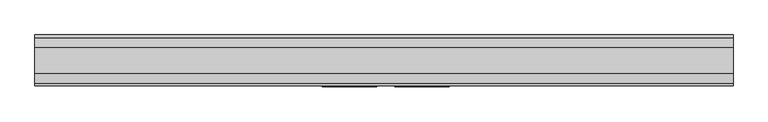
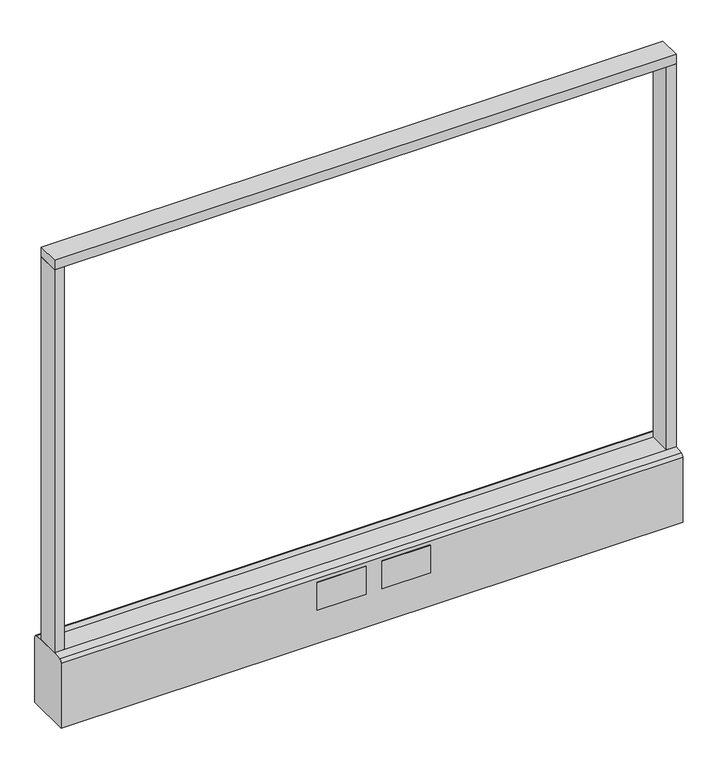
"""IFC4 building model written with IfcOpenShell, lengths in millimetres: furniture geometry."""

import ifcopenshell
import ifcopenshell.guid

model = None  # the IFC model being written
_history = None  # IfcOwnerHistory: only IFC2X3 demands one
_inside = {}  # id of a spatial element -> (the spatial element, [elements in it])
_under = {}  # id of a project, library or spatial element -> (it, [spatial elements below it])
_declared = {}  # id of a project -> (the project, [libraries it declares])
_typed = {}  # id of a type object -> (the type object, [elements of that type])
_made_of = {}  # id of a material, layer set ... -> (it, [elements and type objects made of it])


def new_model(schema):
    """Start an empty IFC model of exactly this schema.

    Asked for "IFC4X3", IfcOpenShell would pick the latest addendum, in which some entities
    have other attributes; the version numbers below select the first issue.
    IFC2X3 requires an IfcOwnerHistory on every rooted entity: one is made here for all.
    """
    global model, _history
    if schema == "IFC4X3":
        model = ifcopenshell.file(schema_version=(4, 3, 0, 0))
    else:
        model = ifcopenshell.file(schema=schema)
    _inside.clear()
    _under.clear()
    _declared.clear()
    _typed.clear()
    _made_of.clear()
    _history = None
    if model.schema == "IFC2X3":
        org = make("IfcOrganization", Name="unknown")
        user = make(
            "IfcPersonAndOrganization",
            ThePerson=make("IfcPerson", FamilyName="unknown"),
            TheOrganization=org,
        )
        app = make(
            "IfcApplication",
            ApplicationDeveloper=org,
            Version="unknown",
            ApplicationFullName="unknown",
            ApplicationIdentifier="unknown",
        )
        _history = make(
            "IfcOwnerHistory",
            OwningUser=user,
            OwningApplication=app,
            ChangeAction="ADDED",
            CreationDate=0,
        )
    return model


def make(cls, **values):
    """One entity of the class cls with the attributes given. An attribute that is None is left unset."""
    return model.create_entity(
        cls, **{name: value for name, value in values.items() if value is not None}
    )


def rooted(cls, **values):
    """An entity with a GlobalId (a new one), such as an element, a storey or a relation."""
    return make(cls, GlobalId=ifcopenshell.guid.new(), OwnerHistory=_history, **values)


def si_unit(unit_type, name, prefix=None):
    """IfcSIUnit, for example si_unit("LENGTHUNIT", "METRE", prefix="MILLI")."""
    return make("IfcSIUnit", UnitType=unit_type, Prefix=prefix, Name=name)


def assignment(units):
    """IfcUnitAssignment: the units of a project."""
    return None if units is None else make("IfcUnitAssignment", Units=units)


def point(xyz):
    """IfcCartesianPoint."""
    return None if xyz is None else make("IfcCartesianPoint", Coordinates=xyz)


def direction(xyz):
    """IfcDirection."""
    return None if xyz is None else make("IfcDirection", DirectionRatios=xyz)


def frame(location, z_axis=None, x_axis=None):
    """IfcAxis2Placement3D, a coordinate frame: its origin and axes. An axis left out is left unset."""
    return make(
        "IfcAxis2Placement3D",
        Location=point(location),
        Axis=direction(z_axis),
        RefDirection=direction(x_axis),
    )


def frame_2d(location, x_axis=None):
    """IfcAxis2Placement2D, a coordinate frame in the plane: its origin and x axis."""
    return make(
        "IfcAxis2Placement2D", Location=point(location), RefDirection=direction(x_axis)
    )


def origin():
    """The frame at (0, 0, 0) with its axes left unset."""
    return frame((0.0, 0.0, 0.0))


def origin_with_axes():
    """The frame at (0, 0, 0) with the z axis (0, 0, 1) and the x axis (1, 0, 0) written out."""
    return frame((0.0, 0.0, 0.0), z_axis=(0.0, 0.0, 1.0), x_axis=(1.0, 0.0, 0.0))


def place(relative_to, where):
    """IfcLocalPlacement: puts the frame where relative to a parent placement (None: the world)."""
    return make(
        "IfcLocalPlacement", PlacementRelTo=relative_to, RelativePlacement=where
    )


def context(
    kind, dimensions, precision=None, world=None, true_north=None, identifier=None
):
    """IfcGeometricRepresentationContext, for example the 3D "Model" context."""
    return make(
        "IfcGeometricRepresentationContext",
        ContextIdentifier=identifier,
        ContextType=kind,
        CoordinateSpaceDimension=dimensions,
        Precision=precision,
        WorldCoordinateSystem=world,
        TrueNorth=true_north,
    )


def project(units=None, contexts=None):
    """IfcProject with its units and contexts."""
    return rooted(
        "IfcProject",
        Name="project",
        RepresentationContexts=contexts,
        UnitsInContext=assignment(units),
    )


def spatial(cls, under=None, at=None, **own):
    """A site, building, storey or space (cls), placed at a placement, below another one or the project."""
    s = rooted(cls, ObjectPlacement=at, **own)
    if under is not None:
        _under.setdefault(under.id(), (under, []))[1].append(s)
    return s


def polyline(points):
    """IfcPolyline through the points."""
    return make("IfcPolyline", Points=[point(p) for p in points])


def circle_curve(where, radius):
    """IfcCircle in the frame where."""
    return make("IfcCircle", Position=where, Radius=radius)


def trimmed(basis, trim1, trim2, sense, master):
    """IfcTrimmedCurve: the piece of a basis curve between two trims."""
    return make(
        "IfcTrimmedCurve",
        BasisCurve=basis,
        Trim1=trim1,
        Trim2=trim2,
        SenseAgreement=sense,
        MasterRepresentation=master,
    )


def segment(curve, same_sense, transition):
    """IfcCompositeCurveSegment."""
    return make(
        "IfcCompositeCurveSegment",
        Transition=transition,
        SameSense=same_sense,
        ParentCurve=curve,
    )


def composite_curve(segments, self_intersect=None):
    """IfcCompositeCurve: segments joined end to end."""
    return make("IfcCompositeCurve", Segments=segments, SelfIntersect=self_intersect)


def outline(outer, holes=None, kind="AREA"):
    """IfcArbitraryClosedProfileDef: a profile drawn as a closed curve; with holes, ...WithVoids."""
    if holes is None:
        return make("IfcArbitraryClosedProfileDef", ProfileType=kind, OuterCurve=outer)
    return make(
        "IfcArbitraryProfileDefWithVoids",
        ProfileType=kind,
        OuterCurve=outer,
        InnerCurves=holes,
    )


def extrude(swept, where, along, depth):
    """IfcExtrudedAreaSolid: the profile swept, set in the frame where, extruded along a direction by depth."""
    return make(
        "IfcExtrudedAreaSolid",
        SweptArea=swept,
        Position=where,
        ExtrudedDirection=direction(along),
        Depth=depth,
    )


def shape(context_of_items, identifier, shape_type, items):
    """IfcShapeRepresentation: the items that make up one representation, for example the "Body"."""
    return make(
        "IfcShapeRepresentation",
        ContextOfItems=context_of_items,
        RepresentationIdentifier=identifier,
        RepresentationType=shape_type,
        Items=items,
    )


def source(mapping_origin, context_of_items, identifier, shape_type, items):
    """IfcRepresentationMap: a shape defined once, which mapped items show again and again."""
    return make(
        "IfcRepresentationMap",
        MappingOrigin=mapping_origin,
        MappedRepresentation=shape(context_of_items, identifier, shape_type, items),
    )


def transform(
    local_origin,
    x_axis=None,
    y_axis=None,
    z_axis=None,
    scale=None,
    scale2=None,
    scale3=None,
    uniform=True,
):
    """IfcCartesianTransformationOperator3D, or its non-uniform kind. x_axis, y_axis, z_axis: its Axis1, 2, 3."""
    if uniform:
        return make(
            "IfcCartesianTransformationOperator3D",
            Axis1=direction(x_axis),
            Axis2=direction(y_axis),
            LocalOrigin=point(local_origin),
            Scale=scale,
            Axis3=direction(z_axis),
        )
    return make(
        "IfcCartesianTransformationOperator3DnonUniform",
        Axis1=direction(x_axis),
        Axis2=direction(y_axis),
        LocalOrigin=point(local_origin),
        Scale=scale,
        Axis3=direction(z_axis),
        Scale2=scale2,
        Scale3=scale3,
    )


def mapped(mapping_source, mapping_target):
    """IfcMappedItem: shows the shape of a source again, moved by a transform."""
    return make(
        "IfcMappedItem", MappingSource=mapping_source, MappingTarget=mapping_target
    )


def made_of(thing, what):
    """Note that an element or type object is made of a material, layer set ...; save() writes the relation."""
    if what is not None:
        _made_of.setdefault(what.id(), (what, []))[1].append(thing)
    return thing


def element(
    cls,
    number,
    at=None,
    inside=None,
    cuts=None,
    type_object=None,
    material=None,
    context=None,
    identifier="Body",
    shape_type=None,
    held_by="IfcProductDefinitionShape",
    body=None,
    shapes=None,
    **own,
):
    """One element of the class cls, such as IfcWall. Its Tag is "e" and its number.

    at: its placement. inside: the storey or other place that contains it. cuts: it is an
    opening in that element (IfcRelVoidsElement). A single representation is given by context,
    identifier, shape_type and body (its items); several are given by shapes. held_by: the class
    of the entity that holds the representations. save() writes the other relations.
    """
    e = rooted(cls, Tag="e%d" % number, ObjectPlacement=at, **own)
    if body is not None:
        shapes = [shape(context, identifier, shape_type, body)]
    if shapes is not None:
        e.Representation = make(held_by, Representations=shapes)
    if inside is not None:
        _inside.setdefault(inside.id(), (inside, []))[1].append(e)
    if cuts is not None:
        rooted(
            "IfcRelVoidsElement", RelatingBuildingElement=cuts, RelatedOpeningElement=e
        )
    if type_object is not None:
        _typed.setdefault(type_object.id(), (type_object, []))[1].append(e)
    return made_of(e, material)


def aggregate(whole, parts):
    """IfcRelAggregates: a whole, such as a stair, and the parts it consists of."""
    return rooted("IfcRelAggregates", RelatingObject=whole, RelatedObjects=parts)


def save(model, path):
    """Write the relations noted so far, then the file.

    IfcRelAggregates (storeys below a building ...), IfcRelContainedInSpatialStructure (elements
    in a storey), IfcRelDefinesByType, IfcRelAssociatesMaterial and IfcRelDeclares: one each for
    every whole, place, type object, material and project.
    """
    for whole, parts in _under.values():
        aggregate(whole, parts)
    for where, things in _inside.values():
        rooted(
            "IfcRelContainedInSpatialStructure",
            RelatedElements=things,
            RelatingStructure=where,
        )
    for kind, things in _typed.values():
        rooted("IfcRelDefinesByType", RelatedObjects=things, RelatingType=kind)
    for what, things in _made_of.values():
        rooted("IfcRelAssociatesMaterial", RelatedObjects=things, RelatingMaterial=what)
    for by, libraries in _declared.values():
        rooted("IfcRelDeclares", RelatingContext=by, RelatedDefinitions=libraries)
    model.write(path)


def furniture_2b4b025d(model_context):
    return source(origin(), model_context, "Body", "SweptSolid", [
        extrude(outline(polyline([(609.6, -22.225), (-609.6, -22.225), (-609.6, 22.225), (609.6, 22.225), (609.6, -22.225)])), frame((0.0, 0.0, 946.15), z_axis=(0.0, 0.0, 1.0), x_axis=(1.0, 0.0, 0.0)), (0.0, 0.0, 1.0), 19.05),
        extrude(outline(composite_curve([segment(trimmed(circle_curve(frame_2d((-533.4, 0.0)), 23.415625), [point((-556.815625, 0.0))], [point((-509.984375, 0.0))], False, "CARTESIAN"), True, "CONTINUOUS"), segment(trimmed(circle_curve(frame_2d((-533.4, 0.0)), 23.415625), [point((-509.984375, 0.0))], [point((-556.815625, 0.0))], False, "CARTESIAN"), True, "CONTINUOUS")], self_intersect=False)), origin_with_axes(), (0.0, 0.0, 1.0), 6.35),
        extrude(outline(composite_curve([segment(trimmed(circle_curve(frame_2d((533.4, 0.0)), 23.415625), [point((509.984375, 0.0))], [point((556.815625, 0.0))], False, "CARTESIAN"), True, "CONTINUOUS"), segment(trimmed(circle_curve(frame_2d((533.4, 0.0)), 23.415625), [point((556.815625, 0.0))], [point((509.984375, 0.0))], False, "CARTESIAN"), True, "CONTINUOUS")], self_intersect=False)), origin_with_axes(), (0.0, 0.0, 1.0), 6.35),
        extrude(outline(polyline([(-590.5500091, -22.225), (-609.6, -22.225), (-609.6, 22.225), (-590.5500091, 22.225), (-590.5500091, -22.225)])), frame((0.0, 0.0, 152.4), z_axis=(0.0, 0.0, 1.0), x_axis=(1.0, 0.0, 0.0)), (0.0, 0.0, 1.0), 793.75),
        extrude(outline(polyline([(609.6, -22.225), (590.5500091, -22.225), (590.5500091, 22.225), (609.6, 22.225), (609.6, -22.225)])), frame((0.0, 0.0, 152.4), z_axis=(0.0, 0.0, 1.0), x_axis=(1.0, 0.0, 0.0)), (0.0, 0.0, 1.0), 793.75),
        extrude(outline(composite_curve([segment(polyline([(-22.225, 152.4), (22.225, 152.4), (39.43219, 149.94183)]), True, "CONTINUOUS"), segment(trimmed(circle_curve(frame_2d((38.605678, 144.1562464)), 5.844322), [point((39.43219, 149.94183))], [point((44.45, 144.1562464))], False, "CARTESIAN"), True, "CONTINUOUS"), segment(polyline([(44.45, 144.1562464), (44.45, 9.525), (-44.4433083, 9.525), (-44.4433083, 144.1572033)]), True, "CONTINUOUS"), segment(trimmed(circle_curve(frame_2d((-38.5989863, 144.1572033)), 5.844322), [point((-44.4433083, 144.1572033))], [point((-39.4222979, 149.9432432))], False, "CARTESIAN"), True, "CONTINUOUS"), segment(polyline([(-39.4222979, 149.9432432), (-22.225, 152.4)]), True, "CONTINUOUS")], self_intersect=False)), frame((-609.6, 0.0, 0.0), z_axis=(1.0, 0.0, 0.0), x_axis=(0.0, 1.0, 0.0)), (0.0, 0.0, 1.0), 1219.2),
        extrude(outline(polyline([(114.3, -46.0375), (19.05, -46.0375), (19.05, -44.45), (114.3, -44.45), (114.3, -46.0375)])), frame((0.0, 0.0, 79.1718), z_axis=(0.0, 0.0, 1.0), x_axis=(1.0, 0.0, 0.0)), (0.0, 0.0, 1.0), 57.15),
        extrude(outline(polyline([(-12.7, -46.0375), (-107.95, -46.0375), (-107.95, -44.45), (-12.7, -44.45), (-12.7, -46.0375)])), frame((0.0, 0.0, 79.1718), z_axis=(0.0, 0.0, 1.0), x_axis=(1.0, 0.0, 0.0)), (0.0, 0.0, 1.0), 57.15),
        extrude(outline(composite_curve([segment(trimmed(circle_curve(frame_2d((-533.4, 0.0)), 5.55625), [point((-538.95625, 0.0))], [point((-527.84375, 0.0))], False, "CARTESIAN"), True, "CONTINUOUS"), segment(trimmed(circle_curve(frame_2d((-533.4, 0.0)), 5.55625), [point((-527.84375, 0.0))], [point((-538.95625, 0.0))], False, "CARTESIAN"), True, "CONTINUOUS")], self_intersect=False)), frame((0.0, 0.0, 6.35), z_axis=(0.0, 0.0, 1.0), x_axis=(1.0, 0.0, 0.0)), (0.0, 0.0, 1.0), 3.175),
        extrude(outline(composite_curve([segment(trimmed(circle_curve(frame_2d((533.4, 0.0)), 5.55625), [point((527.84375, 0.0))], [point((538.95625, 0.0))], False, "CARTESIAN"), True, "CONTINUOUS"), segment(trimmed(circle_curve(frame_2d((533.4, 0.0)), 5.55625), [point((538.95625, 0.0))], [point((527.84375, 0.0))], False, "CARTESIAN"), True, "CONTINUOUS")], self_intersect=False)), frame((0.0, 0.0, 6.35), z_axis=(0.0, 0.0, 1.0), x_axis=(1.0, 0.0, 0.0)), (0.0, 0.0, 1.0), 3.175),
    ])


if __name__ == "__main__":
    model = new_model("IFC4")
    model_context = context("Model", 3, world=origin())
    ifc_project = project(units=[si_unit("LENGTHUNIT", "METRE", prefix="MILLI")], contexts=[model_context])
    site = spatial("IfcSite", under=ifc_project)
    building = spatial("IfcBuilding", under=site)
    placement = place(None, origin())
    furniture_shape = furniture_2b4b025d(model_context)
    element("IfcFurniture", 1, at=placement, inside=building, context=model_context, shape_type="MappedRepresentation", body=[
        mapped(furniture_shape, transform((0.0, 0.0, 0.0), x_axis=(1.0, 0.0, 0.0), y_axis=(0.0, 1.0, 0.0), z_axis=(0.0, 0.0, 1.0))),
    ])
    save(model, "model.ifc")
